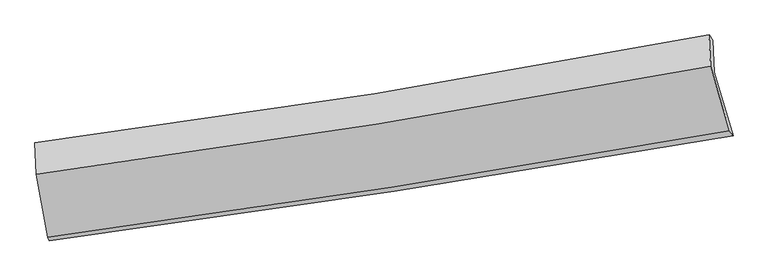
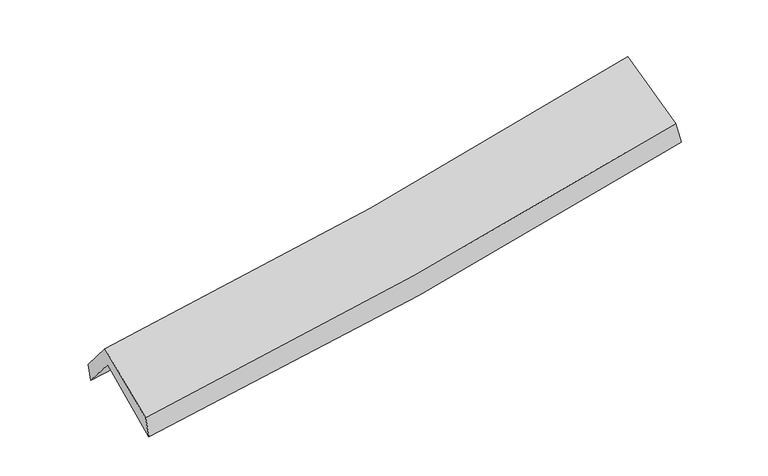
"""IFC4 building model written with IfcOpenShell, lengths in millimetres: proxy geometry."""

from ifc_helpers import new_model, si_unit, frame, origin, place, context, project, spatial, source, transform, mapped, element, save
from ifc_brep_helpers import plane_surface, spline_curve, spline_surface, advanced_brep


def generic_models_842be3d4(model_context):
    return source(origin(), model_context, "Body", "AdvancedBrep", [
        advanced_brep(
        [(-2599.1579415, -2485.495591, 1477.3183718), (-2688.3701551, -1989.3383988, 1908.8254783), (2608.8448809, -1163.6950912, 2374.3455214), (2757.2864357, -1662.2499645, 1962.3810695), (-2701.0252457, -1736.3926821, 1607.5838303), (2597.0082736, -915.7299243, 2069.9957501), (-2712.7932663, -1717.8095829, 1757.5477569), (2568.7842589, -872.4694638, 2231.7822897), (-2700.4843153, -1963.6919154, 2050.2623006), (2581.6593005, -1118.7809881, 2524.9237102), (-2613.2526831, -2459.4492915, 1649.4099618), (2729.0751332, -1621.7418127, 2128.5205749)],
        [
            (0, 1),
            (1, 2, spline_curve(3, [(-2688.3701551, -1989.3383988, 1908.8254783), (-1796.922712383, -1867.062424298, 1962.902991511), (-907.658527657, -1736.752643256, 2028.978310074), (858.038349109, -1461.385613853, 2184.379543366), (1734.512509744, -1316.480958682, 2273.477572702), (2608.8448809, -1163.6950912, 2374.3455214)], [4, 2, 4], [0.0, 8.920912688511036, 17.75669750125533])),
            (2, 3),
            (3, 0, spline_curve(3, [(2757.2864357, -1662.2499645, 1962.3810695), (1874.778223026, -1815.862034116, 1849.039031357), (989.307977278, -1960.9838749, 1752.06107909), (-796.116131697, -2235.563469346, 1590.056676311), (-1696.127344884, -2364.856837109, 1525.347062839), (-2599.1579415, -2485.495591, 1477.3183718)], [4, 2, 4], [0.0, 8.835784812744295, 17.75669750125533])),
            (1, 4),
            (4, 5, spline_curve(3, [(-2701.0252457, -1736.3926821, 1607.5838303), (-1808.465624482, -1614.509488263, 1648.906850823), (-918.579154139, -1484.814190958, 1708.373996581), (847.381245031, -1211.111555634, 1862.855931691), (1723.505947789, -1067.252600252, 1957.526092917), (2597.0082736, -915.7299243, 2069.9957501)], [4, 2, 4], [0.0, 8.871695213579729, 17.658732209513786])),
            (5, 2),
            (4, 6),
            (6, 7, spline_curve(3, [(-2712.7932663, -1717.8095829, 1757.5477569), (-1822.047791085, -1603.683502238, 1815.003290068), (-934.448558339, -1475.771955625, 1883.492708307), (826.017523888, -1193.730075372, 2041.78046298), (1698.94413276, -1039.861582334, 2131.369222522), (2568.7842589, -872.4694638, 2231.7822897)], [4, 2, 4], [0.0, 8.862404129876758, 17.64023870234327])),
            (7, 5),
            (6, 8),
            (8, 9, spline_curve(3, [(-2700.4843153, -1963.6919154, 2050.2623006), (-1809.876993676, -1845.159807233, 2102.529923566), (-922.298878529, -1715.091918287, 2168.473737227), (838.358123385, -1433.235832388, 2326.953971886), (1711.494547005, -1281.666745644, 2419.230627949), (2581.6593005, -1118.7809881, 2524.9237102)], [4, 2, 4], [0.0, 8.853402876473927, 17.622322090065243])),
            (9, 7),
            (8, 10),
            (10, 11, spline_curve(3, [(-2613.2526831, -2459.4492915, 1649.4099618), (-1713.042581869, -2336.861685184, 1702.467950345), (-815.622541654, -2205.381825338, 1769.179382818), (965.100402619, -1925.977100002, 1929.142253549), (1848.456301321, -1778.221133597, 2022.134358723), (2729.0751332, -1621.7418127, 2128.5205749)], [4, 2, 4], [0.0, 8.90186827224463, 17.718790400206572])),
            (11, 9),
            (10, 0),
            (3, 11),
        ],
        [
            spline_surface(3, 3, [[(-2599.1579415, -2485.495591, 1477.3183718), (-1696.127344999, -2364.856837081, 1525.347062794), (-796.116131721, -2235.563469215, 1590.056676413), (989.307977302, -1960.983875029, 1752.06107899), (1874.778223118, -1815.862034061, 1849.039031318), (2757.2864357, -1662.2499645, 1962.3810695)], [(-2628.895346033, -2320.109860246, 1621.154073952), (-1729.725800747, -2198.925366108, 1671.199039058), (-833.29693035, -2069.293193923, 1736.363887605), (945.551434541, -1794.451121255, 1896.167233818), (1828.02298533, -1649.401675592, 1990.518545164), (2707.805917447, -1496.065006704, 2099.702553488)], [(-2658.632750567, -2154.724129554, 1764.989776148), (-1763.324256497, -2032.993895197, 1817.051015364), (-870.477728957, -1903.022918665, 1882.671098784), (901.7948918, -1627.918367513, 2040.273388633), (1781.267747501, -1482.94131721, 2131.998058946), (2658.325399153, -1329.880048996, 2237.024037412)], [(-2688.3701551, -1989.3383988, 1908.8254783), (-1796.922712246, -1867.062424224, 1962.902991628), (-907.658527586, -1736.752643372, 2028.978309976), (858.038349038, -1461.385613738, 2184.379543462), (1734.512509713, -1316.48095874, 2273.477572791), (2608.8448809, -1163.6950912, 2374.3455214)]], [4, 4], [4, 2, 4], [0.0, 2.209907964365441], [0.0, 8.920912688511036, 17.75669750125533]),
            spline_surface(3, 3, [[(-2688.3701551, -1989.3383988, 1908.8254783), (-1796.922712246, -1867.062424224, 1962.902991628), (-907.658527586, -1736.752643372, 2028.978309976), (858.038349038, -1461.385613738, 2184.379543462), (1734.512509713, -1316.48095874, 2273.477572791), (2608.8448809, -1163.6950912, 2374.3455214)], [(-2692.588518627, -1905.023159902, 1808.411595651), (-1800.770349691, -1782.878112197, 1858.237611384), (-911.29873648, -1652.773159248, 1922.110205481), (854.485981066, -1377.960927712, 2077.205006232), (1730.843655777, -1233.404839237, 2168.160412766), (2604.899345136, -1081.040035578, 2272.895597615)], [(-2696.806882173, -1820.707920998, 1707.997712949), (-1804.617987156, -1698.693800163, 1753.572231088), (-914.938945355, -1568.79367509, 1815.242100991), (850.933613113, -1294.536241652, 1970.030469006), (1727.174801831, -1150.328719699, 2062.843252796), (2600.953809364, -998.384979922, 2171.445673885)], [(-2701.0252457, -1736.3926821, 1607.5838303), (-1808.465624601, -1614.509488136, 1648.906850844), (-918.57915425, -1484.814190966, 1708.373996496), (847.38124514, -1211.111555626, 1862.855931775), (1723.505947895, -1067.252600195, 1957.526092771), (2597.0082736, -915.7299243, 2069.9957501)]], [4, 4], [4, 2, 4], [0.0, 1.3377370603906429], [0.0, 8.871695213579729, 17.658732209513786]),
            spline_surface(3, 3, [[(-2701.0252457, -1736.3926821, 1607.5838303), (-1808.465624601, -1614.509488136, 1648.906850844), (-918.57915425, -1484.814190966, 1708.373996496), (847.38124514, -1211.111555626, 1862.855931775), (1723.505947895, -1067.252600195, 1957.526092771), (2597.0082736, -915.7299243, 2069.9957501)], [(-2704.947919257, -1730.198315711, 1657.571805831), (-1812.993013477, -1610.900826157, 1704.272330579), (-923.868955593, -1481.800112501, 1766.746900417), (840.260004718, -1205.317728865, 1922.497442169), (1715.318676154, -1058.122260885, 2015.473802646), (2587.600268684, -901.309770805, 2123.924596632)], [(-2708.870592743, -1724.003949289, 1707.559781369), (-1817.520402282, -1607.292164147, 1759.63781032), (-929.158756958, -1478.786034078, 1825.119804374), (833.138764274, -1199.523902145, 1982.138952599), (1707.131404461, -1048.991921558, 2073.421512525), (2578.192263816, -886.889617295, 2177.853443168)], [(-2712.7932663, -1717.8095829, 1757.5477569), (-1822.047791158, -1603.683502168, 1815.003290055), (-934.448558302, -1475.771955613, 1883.492708295), (826.017523851, -1193.730075384, 2041.780462992), (1698.94413272, -1039.861582248, 2131.369222399), (2568.7842589, -872.4694638, 2231.7822897)]], [4, 4], [4, 2, 4], [0.0, 0.5855093344304692], [0.0, 8.862404129876758, 17.64023870234327]),
            spline_surface(3, 3, [[(-2712.7932663, -1717.8095829, 1757.5477569), (-1822.047791158, -1603.683502168, 1815.003290055), (-934.448558302, -1475.771955613, 1883.492708295), (826.017523851, -1193.730075384, 2041.780462992), (1698.94413272, -1039.861582248, 2131.369222399), (2568.7842589, -872.4694638, 2231.7822897)], [(-2708.690282635, -1799.770360392, 1855.119271442), (-1817.990858619, -1684.175603869, 1910.845501153), (-930.398665063, -1555.545276508, 1978.486384581), (830.131057042, -1273.565327728, 2136.83829933), (1703.127604174, -1120.463303377, 2227.323024321), (2573.075939454, -954.573305226, 2329.496096559)], [(-2704.587298965, -1881.731137908, 1952.690786058), (-1813.933926074, -1764.667705593, 2006.687712323), (-926.348771816, -1635.318597383, 2073.480060844), (834.244590241, -1353.400580053, 2231.896135645), (1707.311075567, -1201.065024527, 2323.276826167), (2577.367619946, -1036.677146674, 2427.209903341)], [(-2700.4843153, -1963.6919154, 2050.2623006), (-1809.876993535, -1845.159807294, 2102.52992342), (-922.298878576, -1715.091918278, 2168.473737129), (838.358123432, -1433.235832398, 2326.953971983), (1711.494547021, -1281.666745656, 2419.230628089), (2581.6593005, -1118.7809881, 2524.9237102)]], [4, 4], [4, 2, 4], [0.0, 1.2220268152461686], [0.0, 8.853402876473927, 17.622322090065243]),
            spline_surface(3, 3, [[(-2700.4843153, -1963.6919154, 2050.2623006), (-1809.876993535, -1845.159807294, 2102.52992342), (-922.298878576, -1715.091918278, 2168.473737129), (838.358123432, -1433.235832398, 2326.953971983), (1711.494547021, -1281.666745656, 2419.230628089), (2581.6593005, -1118.7809881, 2524.9237102)], [(-2671.407104543, -2128.944374098, 1916.644854347), (-1777.598856267, -2009.060433279, 1969.175932401), (-886.740099626, -1878.521887295, 2035.375619035), (880.605549863, -1597.482921594, 2194.350065805), (1757.148465144, -1447.184874987, 2286.865204921), (2630.79791138, -1286.434596298, 2392.789331751)], [(-2642.329893857, -2294.196832802, 1783.027408053), (-1745.320719072, -2172.961059269, 1835.821941341), (-851.181320693, -2041.951856323, 1902.277500976), (922.852976276, -1761.730010802, 2061.746159663), (1802.802383326, -1612.703004324, 2154.4997818), (2679.93652232, -1454.088204502, 2260.654953349)], [(-2613.2526831, -2459.4492915, 1649.4099618), (-1713.042581804, -2336.861685254, 1702.467950322), (-815.622541743, -2205.381825341, 1769.179382882), (965.100402707, -1925.977099999, 1929.142253485), (1848.456301448, -1778.221133654, 2022.134358632), (2729.0751332, -1621.7418127, 2128.5205749)]], [4, 4], [4, 2, 4], [0.0, 2.111049052348314], [0.0, 8.90186827224463, 17.718790400206572]),
            spline_surface(3, 3, [[(-2613.2526831, -2459.4492915, 1649.4099618), (-1713.042581804, -2336.861685254, 1702.467950322), (-815.622541743, -2205.381825341, 1769.179382882), (965.100402707, -1925.977099999, 1929.142253485), (1848.456301448, -1778.221133654, 2022.134358632), (2729.0751332, -1621.7418127, 2128.5205749)], [(-2608.554435906, -2468.131391351, 1592.046098476), (-1707.404169542, -2346.193402547, 1643.427654489), (-809.120405066, -2215.44237331, 1709.471814073), (973.169594242, -1937.64602502, 1870.115195334), (1857.230275337, -1790.768100479, 1964.435916183), (2738.478900699, -1635.244529989, 2073.140739756)], [(-2603.856188694, -2476.813491149, 1534.682235124), (-1701.765757262, -2355.525119788, 1584.387358627), (-802.618268398, -2225.502921247, 1649.764245222), (981.238785768, -1949.314950009, 1811.088137141), (1866.00424923, -1803.315067237, 1906.737473767), (2747.882668201, -1648.747247211, 2017.760904644)], [(-2599.1579415, -2485.495591, 1477.3183718), (-1696.127344999, -2364.856837081, 1525.347062794), (-796.116131721, -2235.563469215, 1590.056676413), (989.307977302, -1960.983875029, 1752.06107899), (1874.778223118, -1815.862034061, 1849.039031318), (2757.2864357, -1662.2499645, 1962.3810695)]], [4, 4], [4, 2, 4], [0.0, 0.5983494014825055], [0.0, 8.960216809807676, 17.834930683978428]),
            plane_surface(frame((2640.4430471, -1225.7778741, 2215.3248193), z_axis=(0.9741905839836194, 0.1920632699752956, 0.1185934500891668), x_axis=(0.22432851115281027, -0.76537540730004, -0.6032223511975179))),
            plane_surface(frame((-2669.1806012, -2058.6962436, 1741.8246166), z_axis=(-0.9903418404156149, -0.12382646836768002, -0.062370224096125505), x_axis=(-0.08071606537682532, 0.14915880544448742, 0.9855133522933405))),
        ],
        [
            (0, [[1, 2, 3, 4]]),
            (1, [[5, 6, 7, -2]]),
            (2, [[8, 9, 10, -6]]),
            (3, [[11, 12, 13, -9]]),
            (4, [[14, 15, 16, -12]]),
            (5, [[17, -4, 18, -15]]),
            (6, [[-16, -18, -3, -7, -10, -13]]),
            (7, [[-17, -14, -11, -8, -5, -1]]),
        ],
    ),
    ])


if __name__ == "__main__":
    model = new_model("IFC4")
    model_context = context("Model", 3, world=origin())
    ifc_project = project(units=[si_unit("LENGTHUNIT", "METRE", prefix="MILLI")], contexts=[model_context])
    site = spatial("IfcSite", under=ifc_project)
    building = spatial("IfcBuilding", under=site)
    placement = place(None, origin())
    generic_models_shape = generic_models_842be3d4(model_context)
    element("IfcBuildingElementProxy", 1, Name="Generic Models", at=placement, inside=building, context=model_context, shape_type="MappedRepresentation", body=[
        mapped(generic_models_shape, transform((0.0, 0.0, 0.0), x_axis=(1.0, 0.0, 0.0), y_axis=(0.0, 1.0, 0.0), z_axis=(0.0, 0.0, 1.0))),
    ])
    save(model, "model.ifc")
